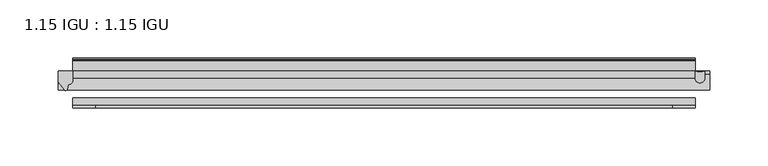
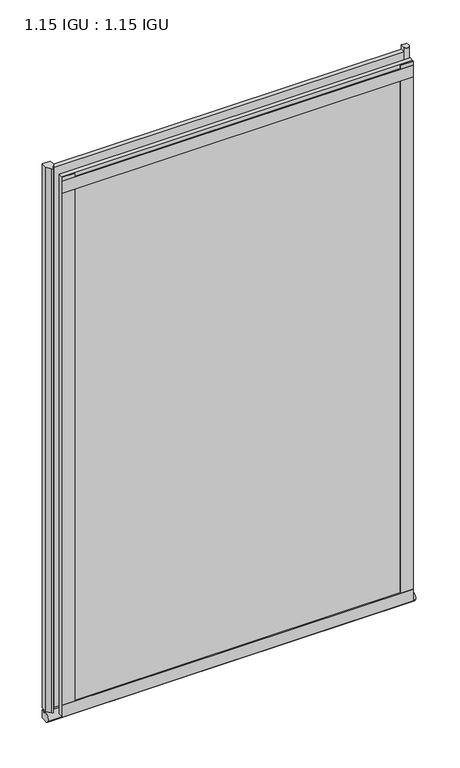
"""IFC4 building model written with IfcOpenShell, lengths in millimetres: plate geometry, 1.15 IGU : 1.15 IGU."""

from ifc_helpers import new_model, si_unit, point, frame, frame_2d, origin, place, context, project, spatial, polyline, circle_curve, ellipse_curve, trimmed, segment, composite_curve, outline, extrude, source, transform, mapped, element, save
from ifc_brep_helpers import plane_surface, revolved_surface, extruded_surface, advanced_brep


def plate_1_15_igu_1_15_igu_7a6569aa(model_context):
    return source(origin(), model_context, "Body", "SolidModel", [
        extrude(outline(polyline([(267.4388701, 0.0), (267.4388701, -6.2992), (-267.4388701, -6.2992), (-267.4388701, 0.0), (267.4388701, 0.0)])), frame((0.0, 0.0, -19.05), z_axis=(0.0, 0.0, 1.0), x_axis=(1.0, 0.0, 0.0)), (0.0, 0.0, 1.0), 869.9368072),
        extrude(outline(polyline([(-267.4388701, -23.1648), (267.4388701, -23.1648), (267.4388701, -29.464), (-267.4388701, -29.464), (-267.4388701, -23.1648)])), frame((0.0, 0.0, -19.05), z_axis=(0.0, 0.0, 1.0), x_axis=(1.0, 0.0, 0.0)), (0.0, 0.0, 1.0), 869.9368072),
        advanced_brep(
        [(275.6883414, -0.0025551, -19.05), (275.6883414, -6.2992, -19.05), (267.4443988, -6.2992, -19.05), (267.4388701, 0.0, -19.05), (275.6883414, -0.0025551, 858.0242072), (267.4388701, 0.0, 858.0242072), (267.4388701, -6.2992, 858.0242072), (275.6883414, -6.2992, 858.0242072)],
        [
            (0, 1),
            (1, 2, ellipse_curve(frame((271.5663701, -6.2992, -19.05), z_axis=(0.0, 0.0, -1.0), x_axis=(-1.0, 0.0, 0.0)), 4.1219713, 4.1275)),
            (2, 3),
            (3, 0, circle_curve(frame((271.5663701, 8.9239208, -19.05), z_axis=(0.0, 0.0, 1.0), x_axis=(1.0, 0.0, 0.0)), 9.8322235)),
            (4, 5, circle_curve(frame((271.5663701, 8.9239208, 858.0242072), z_axis=(0.0, 0.0, -1.0), x_axis=(1.0, 0.0, 0.0)), 9.8322235)),
            (5, 6),
            (6, 7, ellipse_curve(frame((271.5663701, -6.2992, 858.0242072), z_axis=(0.0, 0.0, 1.0), x_axis=(-1.0, 0.0, 0.0)), 4.1219713, 4.1275)),
            (7, 4),
            (2, 6),
            (5, 3),
            (0, 4),
            (7, 1),
        ],
        [
            plane_surface(frame((280.1388701, 0.0, -19.05), z_axis=(0.0, 0.0, -1.0), x_axis=(0.0, 1.0, 0.0))),
            plane_surface(frame((280.1388701, 0.0, 858.0242072), z_axis=(0.0, 0.0, 1.0), x_axis=(0.0, 1.0, 0.0))),
            plane_surface(frame((267.4388701, -6.2992, -19.05), z_axis=(-1.0, 0.0, 0.0), x_axis=(0.0, 0.0, 1.0))),
            plane_surface(frame((275.6883414, -0.0025551, -19.05), z_axis=(1.0, 0.0, 0.0), x_axis=(0.0, 0.0, 1.0))),
            revolved_surface(polyline([(281.39859359999997, 8.9239208, 858.0242072), (281.39859359999997, 8.9239208, -19.05)]), (271.5663701, 8.9239208, -19.05), (0.0, 0.0, 1.0)),
            extruded_surface(trimmed(ellipse_curve(frame((271.5663701, -6.2992, 858.0242072), z_axis=(0.0, 0.0, -1.0), x_axis=(-1.0, 0.0, 0.0)), 4.1219713, 4.1275), [point((275.6883414, -6.2992, 858.0242072))], [point((267.4443988, -6.2992, 858.0242072))], True, "CARTESIAN"), (0.0, 0.0, -877.0742071999999), 877.0742071999999),
        ],
        [
            (0, [[1, 2, 3, 4]]),
            (1, [[5, 6, 7, 8]]),
            (2, [[-3, 9, -6, 10]]),
            (3, [[-1, 11, -8, 12]]),
            (4, [[-4, -10, -5, -11]]),
            (5, [[-2, -12, -7, -9]]),
        ],
    ),
        advanced_brep(
        [(280.1388701, -2.9334208, -29.3692082), (280.1388701, -15.7658436, -30.8313288), (280.1388701, -6.7904952, -34.925), (280.1388701, 0.0, -34.925), (280.1388701, 0.0, -22.225), (280.1388701, -2.5187477, -22.225), (-280.1388701, -2.9073519, -29.3720514), (-280.1388701, -2.5187477, -22.225), (-280.1388701, 0.0, -22.225), (-280.1388701, 0.0, -34.925), (-280.1388701, -6.7904952, -34.925), (-280.1388701, -15.7658436, -30.8313288)],
        [
            (0, 1, ellipse_curve(frame((280.1388701, -9.5065066, -28.575), z_axis=(1.0, 0.0, 0.0), x_axis=(0.0, 0.0, -1.0)), 6.9638038, 6.6162554)),
            (1, 2, ellipse_curve(frame((280.1388701, -9.5065066, -28.575), z_axis=(1.0, 0.0, 0.0), x_axis=(0.0, 0.0, -1.0)), 6.9638038, 6.6162554)),
            (2, 3),
            (3, 4, circle_curve(frame((280.1388701, 24.1576838, -28.575), z_axis=(-1.0, 0.0, 0.0), x_axis=(0.0, 0.0, 1.0)), 24.9783143)),
            (4, 5),
            (5, 0, circle_curve(frame((280.1388701, -68.4358767, -22.225), z_axis=(-1.0, 0.0, 0.0), x_axis=(0.0, 0.0, 1.0)), 65.917129)),
            (6, 7, circle_curve(frame((-280.1388701, -68.4358767, -22.225), z_axis=(1.0, 0.0, 0.0), x_axis=(0.0, 0.0, 1.0)), 65.917129)),
            (7, 8),
            (8, 9, circle_curve(frame((-280.1388701, 24.1576838, -28.575), z_axis=(1.0, 0.0, 0.0), x_axis=(0.0, 0.0, 1.0)), 24.9783143)),
            (9, 10),
            (10, 11, ellipse_curve(frame((-280.1388701, -9.5065066, -28.575), z_axis=(-1.0, 0.0, 0.0), x_axis=(0.0, 0.0, -1.0)), 6.9638038, 6.6162554)),
            (11, 6, ellipse_curve(frame((-280.1388701, -9.5065066, -28.575), z_axis=(-1.0, 0.0, 0.0), x_axis=(0.0, 0.0, -1.0)), 6.9638038, 6.6162554)),
            (0, 6),
            (11, 1),
            (10, 2),
            (9, 3),
            (8, 4),
            (7, 5),
        ],
        [
            plane_surface(frame((280.1388701, 0.0, -28.575), z_axis=(1.0, 0.0, 0.0), x_axis=(0.0, 1.0, 0.0))),
            plane_surface(frame((-280.1388701, 0.0, -28.575), z_axis=(-1.0, 0.0, 0.0), x_axis=(0.0, 1.0, 0.0))),
            extruded_surface(trimmed(ellipse_curve(frame((-280.1388701, -9.5065066, -28.575), z_axis=(1.0, 0.0, 0.0), x_axis=(0.0, 0.0, -1.0)), 6.9638038, 6.6162554), [point((-280.1388701, -2.9334208, -29.3692082))], [point((-280.1388701, -15.7658436, -30.8313288))], True, "CARTESIAN"), (560.2777402, 0.0, 0.0), 560.2777402),
            extruded_surface(trimmed(ellipse_curve(frame((-280.1388701, -9.5065066, -28.575), z_axis=(1.0, 0.0, 0.0), x_axis=(0.0, 0.0, -1.0)), 6.9638038, 6.6162554), [point((-280.1388701, -15.7658436, -30.8313288))], [point((-280.1388701, -6.7904952, -34.925))], True, "CARTESIAN"), (560.2777402, 0.0, 0.0), 560.2777402),
            plane_surface(frame((280.1388701, -6.7904952, -34.925), z_axis=(0.0, 0.0, -1.0), x_axis=(-1.0, 0.0, 0.0))),
            revolved_surface(polyline([(-280.1388701, 24.1576838, -3.5966856999999983), (280.1388701, 24.1576838, -3.5966856999999983)]), (280.1388701, 24.1576838, -28.575), (-1.0, 0.0, 0.0)),
            plane_surface(frame((280.1388701, 0.0, -22.225), z_axis=(0.0, 0.0, 1.0), x_axis=(-1.0, 0.0, 0.0))),
            revolved_surface(polyline([(-280.1388701, -68.4358767, 43.692129), (280.1388701, -68.4358767, 43.692129)]), (280.1388701, -68.4358767, -22.225), (-1.0, 0.0, 0.0)),
        ],
        [
            (0, [[1, 2, 3, 4, 5, 6]]),
            (1, [[7, 8, 9, 10, 11, 12]]),
            (2, [[-1, 13, -12, 14]]),
            (3, [[-2, -14, -11, 15]]),
            (4, [[-3, -15, -10, 16]]),
            (5, [[-4, -16, -9, 17]]),
            (6, [[-5, -17, -8, 18]]),
            (7, [[-6, -18, -7, -13]]),
        ],
    ),
        extrude(outline(composite_curve([segment(polyline([(-267.4388701, 8.8e-06), (-267.4388701, -7.7683362)]), True, "CONTINUOUS"), segment(trimmed(circle_curve(frame_2d((-271.410368, -7.7683362)), 3.9714979), [point((-267.4388701, -7.7683362))], [point((-271.5378198, -11.7377885))], False, "CARTESIAN"), True, "CONTINUOUS"), segment(polyline([(-271.5378198, -11.7377885), (-272.5178544, -16.012436)]), True, "CONTINUOUS"), segment(trimmed(circle_curve(frame_2d((-273.6190634, -15.7723555)), 1.1270758), [point((-272.5178544, -16.012436))], [point((-274.5729028, -16.372764))], False, "CARTESIAN"), True, "CONTINUOUS"), segment(polyline([(-274.5729028, -16.372764), (-280.1388701, -9.7395025), (-280.1388701, 8.8e-06), (-267.4388701, 8.8e-06)]), True, "CONTINUOUS")], self_intersect=False)), frame((0.0, 0.0, -19.05), z_axis=(0.0, 0.0, 1.0), x_axis=(1.0, 0.0, 0.0)), (0.0, 0.0, 1.0), 877.0742072),
        extrude(outline(polyline([(-267.4388701, -31.75), (-267.4388701, -29.464), (267.4388701, -29.464), (267.4388701, -31.75), (-267.4388701, -31.75)])), frame((0.0, 0.0, -19.05), z_axis=(0.0, 0.0, 1.0), x_axis=(1.0, 0.0, 0.0)), (0.0, 0.0, 1.0), 19.05),
        extrude(outline(composite_curve([segment(polyline([(8.509, 840.7300284), (8.509, 838.6980284), (6.35, 838.6980284), (6.35, 833.3640284), (8.9492698, 833.3640284)]), True, "CONTINUOUS"), segment(trimmed(circle_curve(frame_2d((8.208689, 831.8368072)), 1.697311), [point((8.9492698, 833.3640284))], [point((8.962411, 830.3160284))], False, "CARTESIAN"), True, "CONTINUOUS"), segment(polyline([(8.962411, 830.3160284), (6.35, 830.3160284), (6.35, 825.4868072), (11.1252, 825.4868072), (11.1252, 824.5978072)]), True, "CONTINUOUS"), segment(trimmed(circle_curve(frame_2d((10.1092, 824.5978072)), 1.016), [point((11.1252, 824.5978072))], [point((10.1092, 823.5818072))], False, "CARTESIAN"), True, "CONTINUOUS"), segment(trimmed(circle_curve(frame_2d((10.1092, 804.1707318)), 19.4110754), [point((10.1092, 823.5818072))], [point((0.0, 820.7416075))], True, "CARTESIAN"), True, "CONTINUOUS"), segment(polyline([(0.0, 820.7416075), (0.0, 840.7300284), (8.509, 840.7300284)]), True, "CONTINUOUS")], self_intersect=False)), frame((-267.4388701, 0.0, 0.0), z_axis=(1.0, 0.0, 0.0), x_axis=(0.0, 1.0, 0.0)), (0.0, 0.0, 1.0), 534.8777402),
        extrude(outline(polyline([(-267.4388701, -31.75), (-267.4388701, -29.464), (267.4388701, -29.464), (267.4388701, -31.75), (-267.4388701, -31.75)])), frame((0.0, 0.0, 825.4868072), z_axis=(0.0, 0.0, 1.0), x_axis=(1.0, 0.0, 0.0)), (0.0, 0.0, 1.0), 19.05),
        extrude(outline(polyline([(248.3888701, -29.464), (267.4388701, -29.464), (267.4388701, -31.75), (248.3888701, -31.75), (248.3888701, -29.464)])), frame((0.0, 0.0, -19.05), z_axis=(0.0, 0.0, 1.0), x_axis=(1.0, 0.0, 0.0)), (0.0, 0.0, 1.0), 869.9368072),
        extrude(outline(polyline([(-267.4388701, -31.75), (-267.4388701, -29.464), (-248.3888701, -29.464), (-248.3888701, -31.75), (-267.4388701, -31.75)])), frame((0.0, 0.0, -19.05), z_axis=(0.0, 0.0, 1.0), x_axis=(1.0, 0.0, 0.0)), (0.0, 0.0, 1.0), 869.9368072),
    ])


if __name__ == "__main__":
    model = new_model("IFC4")
    model_context = context("Model", 3, world=origin())
    ifc_project = project(units=[si_unit("LENGTHUNIT", "METRE", prefix="MILLI")], contexts=[model_context])
    site = spatial("IfcSite", under=ifc_project)
    building = spatial("IfcBuilding", under=site)
    placement = place(None, origin())
    plate_1_15_igu_1_15_igu_shape = plate_1_15_igu_1_15_igu_7a6569aa(model_context)
    element("IfcPlate", 1, ObjectType="1.15 IGU : 1.15 IGU", at=placement, inside=building, context=model_context, shape_type="MappedRepresentation", body=[
        mapped(plate_1_15_igu_1_15_igu_shape, transform((0.0, 0.0, 0.0), x_axis=(1.0, 0.0, 0.0), y_axis=(0.0, 1.0, 0.0), z_axis=(0.0, 0.0, 1.0))),
    ])
    save(model, "model.ifc")
